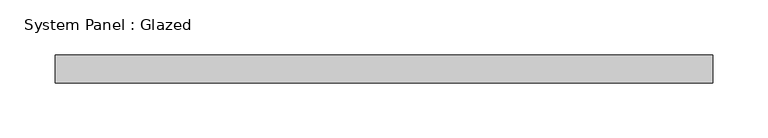
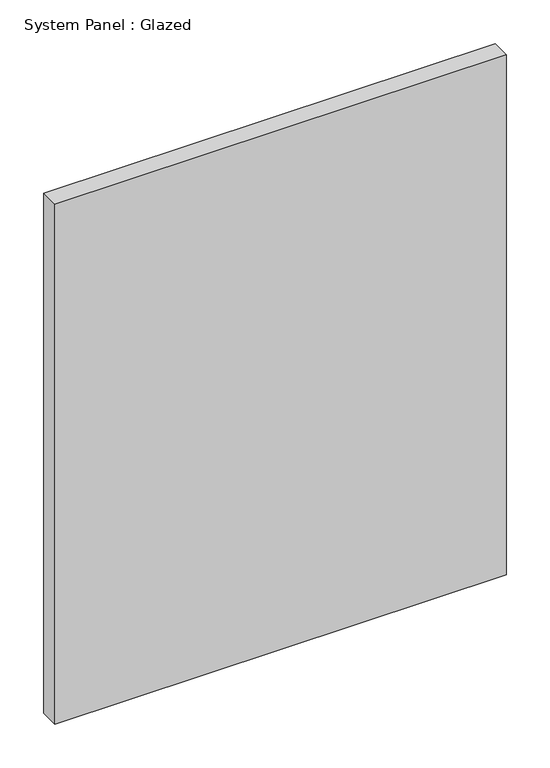
"""IFC4 building model written with IfcOpenShell, lengths in millimetres: plate geometry, System Panel : Glazed."""

from ifc_helpers import new_model, si_unit, origin, origin_with_axes, place, context, project, spatial, polyline, outline, extrude, source, transform, mapped, element, save


def system_panel_glazed_3037df55(model_context):
    return source(origin(), model_context, "Body", "SweptSolid", [
        extrude(outline(polyline([(298.25, 19.05), (-298.25, 19.05), (-298.25, 44.45), (298.25, 44.45), (298.25, 19.05)])), origin_with_axes(), (0.0, 0.0, 1.0), 726.5),
    ])


if __name__ == "__main__":
    model = new_model("IFC4")
    model_context = context("Model", 3, world=origin())
    ifc_project = project(units=[si_unit("LENGTHUNIT", "METRE", prefix="MILLI")], contexts=[model_context])
    site = spatial("IfcSite", under=ifc_project)
    building = spatial("IfcBuilding", under=site)
    placement = place(None, origin())
    system_panel_glazed_shape = system_panel_glazed_3037df55(model_context)
    element("IfcPlate", 1, ObjectType="System Panel : Glazed", at=placement, inside=building, context=model_context, shape_type="MappedRepresentation", body=[
        mapped(system_panel_glazed_shape, transform((0.0, 0.0, 0.0), x_axis=(1.0, 0.0, 0.0), y_axis=(0.0, 1.0, 0.0), z_axis=(0.0, 0.0, 1.0))),
    ])
    save(model, "model.ifc")
